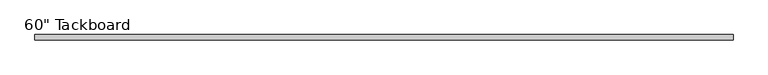
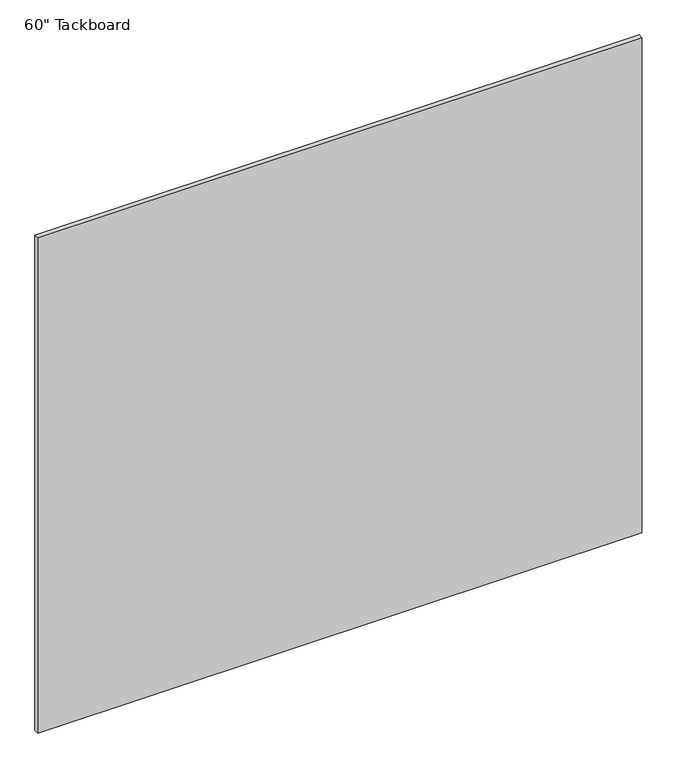
"""IFC4 building model written with IfcOpenShell, lengths in millimetres: furniture geometry."""

from ifc_helpers import new_model, si_unit, frame, origin, place, context, project, spatial, polyline, outline, extrude, source, transform, mapped, element, save


def furniture_a4c389a7(model_context):
    return source(origin(), model_context, "Body", "SweptSolid", [
        extrude(outline(polyline([(927.1, 0.0), (927.1, -11.90625), (-596.9, -11.90625), (-596.9, 0.0), (927.1, 0.0)])), frame((0.0, 0.0, 762.0), z_axis=(0.0, 0.0, 1.0), x_axis=(1.0, 0.0, 0.0)), (0.0, 0.0, 1.0), 1320.8),
    ])


if __name__ == "__main__":
    model = new_model("IFC4")
    model_context = context("Model", 3, world=origin())
    ifc_project = project(units=[si_unit("LENGTHUNIT", "METRE", prefix="MILLI")], contexts=[model_context])
    site = spatial("IfcSite", under=ifc_project)
    building = spatial("IfcBuilding", under=site)
    placement = place(None, origin())
    furniture_shape = furniture_a4c389a7(model_context)
    element("IfcFurniture", 1, ObjectType="60\" Tackboard", at=placement, inside=building, context=model_context, shape_type="MappedRepresentation", body=[
        mapped(furniture_shape, transform((0.0, 0.0, 0.0), x_axis=(1.0, 0.0, 0.0), y_axis=(0.0, 1.0, 0.0), z_axis=(0.0, 0.0, 1.0))),
    ])
    save(model, "model.ifc")
